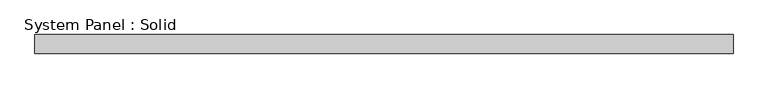
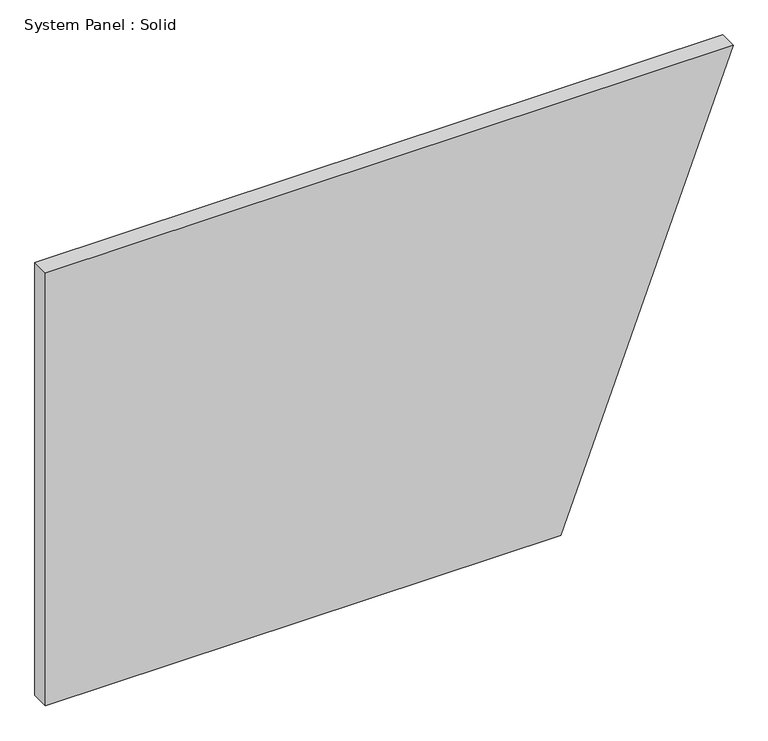
"""IFC4 building model written with IfcOpenShell, lengths in millimetres: plate geometry, System Panel : Solid."""

import ifcopenshell
import ifcopenshell.guid

model = None  # the IFC model being written
_history = None  # IfcOwnerHistory: only IFC2X3 demands one
_inside = {}  # id of a spatial element -> (the spatial element, [elements in it])
_under = {}  # id of a project, library or spatial element -> (it, [spatial elements below it])
_declared = {}  # id of a project -> (the project, [libraries it declares])
_typed = {}  # id of a type object -> (the type object, [elements of that type])
_made_of = {}  # id of a material, layer set ... -> (it, [elements and type objects made of it])


def new_model(schema):
    """Start an empty IFC model of exactly this schema.

    Asked for "IFC4X3", IfcOpenShell would pick the latest addendum, in which some entities
    have other attributes; the version numbers below select the first issue.
    IFC2X3 requires an IfcOwnerHistory on every rooted entity: one is made here for all.
    """
    global model, _history
    if schema == "IFC4X3":
        model = ifcopenshell.file(schema_version=(4, 3, 0, 0))
    else:
        model = ifcopenshell.file(schema=schema)
    _inside.clear()
    _under.clear()
    _declared.clear()
    _typed.clear()
    _made_of.clear()
    _history = None
    if model.schema == "IFC2X3":
        org = make("IfcOrganization", Name="unknown")
        user = make(
            "IfcPersonAndOrganization",
            ThePerson=make("IfcPerson", FamilyName="unknown"),
            TheOrganization=org,
        )
        app = make(
            "IfcApplication",
            ApplicationDeveloper=org,
            Version="unknown",
            ApplicationFullName="unknown",
            ApplicationIdentifier="unknown",
        )
        _history = make(
            "IfcOwnerHistory",
            OwningUser=user,
            OwningApplication=app,
            ChangeAction="ADDED",
            CreationDate=0,
        )
    return model


def make(cls, **values):
    """One entity of the class cls with the attributes given. An attribute that is None is left unset."""
    return model.create_entity(
        cls, **{name: value for name, value in values.items() if value is not None}
    )


def rooted(cls, **values):
    """An entity with a GlobalId (a new one), such as an element, a storey or a relation."""
    return make(cls, GlobalId=ifcopenshell.guid.new(), OwnerHistory=_history, **values)


def si_unit(unit_type, name, prefix=None):
    """IfcSIUnit, for example si_unit("LENGTHUNIT", "METRE", prefix="MILLI")."""
    return make("IfcSIUnit", UnitType=unit_type, Prefix=prefix, Name=name)


def assignment(units):
    """IfcUnitAssignment: the units of a project."""
    return None if units is None else make("IfcUnitAssignment", Units=units)


def point(xyz):
    """IfcCartesianPoint."""
    return None if xyz is None else make("IfcCartesianPoint", Coordinates=xyz)


def direction(xyz):
    """IfcDirection."""
    return None if xyz is None else make("IfcDirection", DirectionRatios=xyz)


def frame(location, z_axis=None, x_axis=None):
    """IfcAxis2Placement3D, a coordinate frame: its origin and axes. An axis left out is left unset."""
    return make(
        "IfcAxis2Placement3D",
        Location=point(location),
        Axis=direction(z_axis),
        RefDirection=direction(x_axis),
    )


def origin():
    """The frame at (0, 0, 0) with its axes left unset."""
    return frame((0.0, 0.0, 0.0))


def place(relative_to, where):
    """IfcLocalPlacement: puts the frame where relative to a parent placement (None: the world)."""
    return make(
        "IfcLocalPlacement", PlacementRelTo=relative_to, RelativePlacement=where
    )


def context(
    kind, dimensions, precision=None, world=None, true_north=None, identifier=None
):
    """IfcGeometricRepresentationContext, for example the 3D "Model" context."""
    return make(
        "IfcGeometricRepresentationContext",
        ContextIdentifier=identifier,
        ContextType=kind,
        CoordinateSpaceDimension=dimensions,
        Precision=precision,
        WorldCoordinateSystem=world,
        TrueNorth=true_north,
    )


def project(units=None, contexts=None):
    """IfcProject with its units and contexts."""
    return rooted(
        "IfcProject",
        Name="project",
        RepresentationContexts=contexts,
        UnitsInContext=assignment(units),
    )


def spatial(cls, under=None, at=None, **own):
    """A site, building, storey or space (cls), placed at a placement, below another one or the project."""
    s = rooted(cls, ObjectPlacement=at, **own)
    if under is not None:
        _under.setdefault(under.id(), (under, []))[1].append(s)
    return s


def polyline(points):
    """IfcPolyline through the points."""
    return make("IfcPolyline", Points=[point(p) for p in points])


def outline(outer, holes=None, kind="AREA"):
    """IfcArbitraryClosedProfileDef: a profile drawn as a closed curve; with holes, ...WithVoids."""
    if holes is None:
        return make("IfcArbitraryClosedProfileDef", ProfileType=kind, OuterCurve=outer)
    return make(
        "IfcArbitraryProfileDefWithVoids",
        ProfileType=kind,
        OuterCurve=outer,
        InnerCurves=holes,
    )


def extrude(swept, where, along, depth):
    """IfcExtrudedAreaSolid: the profile swept, set in the frame where, extruded along a direction by depth."""
    return make(
        "IfcExtrudedAreaSolid",
        SweptArea=swept,
        Position=where,
        ExtrudedDirection=direction(along),
        Depth=depth,
    )


def shape(context_of_items, identifier, shape_type, items):
    """IfcShapeRepresentation: the items that make up one representation, for example the "Body"."""
    return make(
        "IfcShapeRepresentation",
        ContextOfItems=context_of_items,
        RepresentationIdentifier=identifier,
        RepresentationType=shape_type,
        Items=items,
    )


def source(mapping_origin, context_of_items, identifier, shape_type, items):
    """IfcRepresentationMap: a shape defined once, which mapped items show again and again."""
    return make(
        "IfcRepresentationMap",
        MappingOrigin=mapping_origin,
        MappedRepresentation=shape(context_of_items, identifier, shape_type, items),
    )


def transform(
    local_origin,
    x_axis=None,
    y_axis=None,
    z_axis=None,
    scale=None,
    scale2=None,
    scale3=None,
    uniform=True,
):
    """IfcCartesianTransformationOperator3D, or its non-uniform kind. x_axis, y_axis, z_axis: its Axis1, 2, 3."""
    if uniform:
        return make(
            "IfcCartesianTransformationOperator3D",
            Axis1=direction(x_axis),
            Axis2=direction(y_axis),
            LocalOrigin=point(local_origin),
            Scale=scale,
            Axis3=direction(z_axis),
        )
    return make(
        "IfcCartesianTransformationOperator3DnonUniform",
        Axis1=direction(x_axis),
        Axis2=direction(y_axis),
        LocalOrigin=point(local_origin),
        Scale=scale,
        Axis3=direction(z_axis),
        Scale2=scale2,
        Scale3=scale3,
    )


def mapped(mapping_source, mapping_target):
    """IfcMappedItem: shows the shape of a source again, moved by a transform."""
    return make(
        "IfcMappedItem", MappingSource=mapping_source, MappingTarget=mapping_target
    )


def made_of(thing, what):
    """Note that an element or type object is made of a material, layer set ...; save() writes the relation."""
    if what is not None:
        _made_of.setdefault(what.id(), (what, []))[1].append(thing)
    return thing


def element(
    cls,
    number,
    at=None,
    inside=None,
    cuts=None,
    type_object=None,
    material=None,
    context=None,
    identifier="Body",
    shape_type=None,
    held_by="IfcProductDefinitionShape",
    body=None,
    shapes=None,
    **own,
):
    """One element of the class cls, such as IfcWall. Its Tag is "e" and its number.

    at: its placement. inside: the storey or other place that contains it. cuts: it is an
    opening in that element (IfcRelVoidsElement). A single representation is given by context,
    identifier, shape_type and body (its items); several are given by shapes. held_by: the class
    of the entity that holds the representations. save() writes the other relations.
    """
    e = rooted(cls, Tag="e%d" % number, ObjectPlacement=at, **own)
    if body is not None:
        shapes = [shape(context, identifier, shape_type, body)]
    if shapes is not None:
        e.Representation = make(held_by, Representations=shapes)
    if inside is not None:
        _inside.setdefault(inside.id(), (inside, []))[1].append(e)
    if cuts is not None:
        rooted(
            "IfcRelVoidsElement", RelatingBuildingElement=cuts, RelatedOpeningElement=e
        )
    if type_object is not None:
        _typed.setdefault(type_object.id(), (type_object, []))[1].append(e)
    return made_of(e, material)


def aggregate(whole, parts):
    """IfcRelAggregates: a whole, such as a stair, and the parts it consists of."""
    return rooted("IfcRelAggregates", RelatingObject=whole, RelatedObjects=parts)


def save(model, path):
    """Write the relations noted so far, then the file.

    IfcRelAggregates (storeys below a building ...), IfcRelContainedInSpatialStructure (elements
    in a storey), IfcRelDefinesByType, IfcRelAssociatesMaterial and IfcRelDeclares: one each for
    every whole, place, type object, material and project.
    """
    for whole, parts in _under.values():
        aggregate(whole, parts)
    for where, things in _inside.values():
        rooted(
            "IfcRelContainedInSpatialStructure",
            RelatedElements=things,
            RelatingStructure=where,
        )
    for kind, things in _typed.values():
        rooted("IfcRelDefinesByType", RelatedObjects=things, RelatingType=kind)
    for what, things in _made_of.values():
        rooted("IfcRelAssociatesMaterial", RelatedObjects=things, RelatingMaterial=what)
    for by, libraries in _declared.values():
        rooted("IfcRelDeclares", RelatingContext=by, RelatedDefinitions=libraries)
    model.write(path)


def system_panel_solid_def7a471(model_context):
    return source(origin(), model_context, "Body", "SweptSolid", [
        extrude(outline(polyline([(0.0, -1126.1453744), (0.0, 561.0713914), (1500.0, 1126.1453744), (1500.0, -1126.1453744), (0.0, -1126.1453744)])), frame((0.0, -10.5, 0.0), z_axis=(0.0, 1.0, 0.0), x_axis=(0.0, 0.0, 1.0)), (0.0, 0.0, 1.0), 60.0),
    ])


if __name__ == "__main__":
    model = new_model("IFC4")
    model_context = context("Model", 3, world=origin())
    ifc_project = project(units=[si_unit("LENGTHUNIT", "METRE", prefix="MILLI")], contexts=[model_context])
    site = spatial("IfcSite", under=ifc_project)
    building = spatial("IfcBuilding", under=site)
    placement = place(None, origin())
    system_panel_solid_shape = system_panel_solid_def7a471(model_context)
    element("IfcPlate", 1, ObjectType="System Panel : Solid", at=placement, inside=building, context=model_context, shape_type="MappedRepresentation", body=[
        mapped(system_panel_solid_shape, transform((0.0, 0.0, 0.0), x_axis=(1.0, 0.0, 0.0), y_axis=(0.0, 1.0, 0.0), z_axis=(0.0, 0.0, 1.0))),
    ])
    save(model, "model.ifc")
